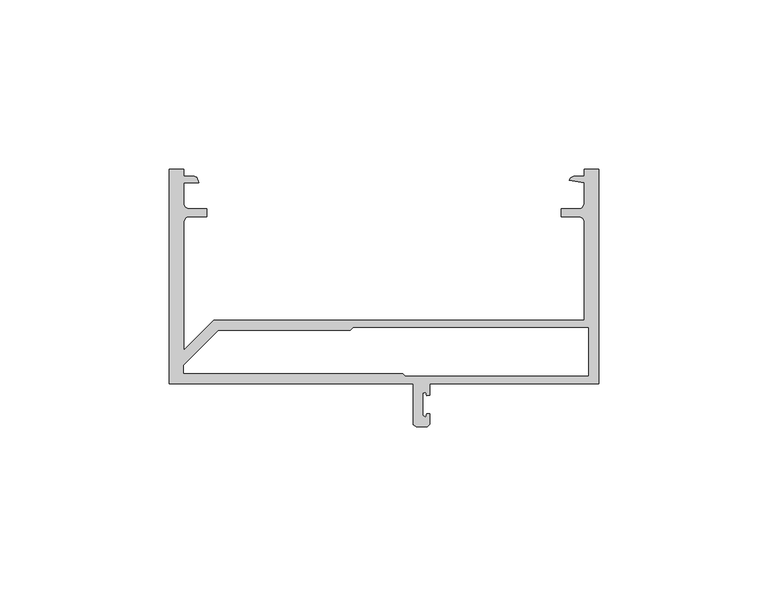
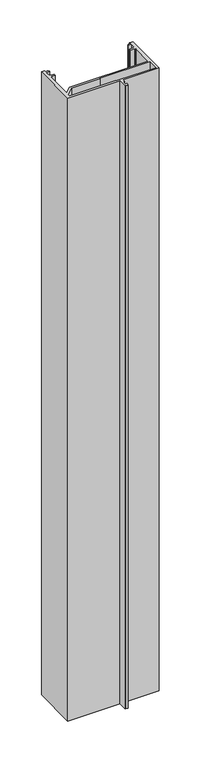
"""IFC4 building model written with IfcOpenShell, lengths in millimetres: proxy geometry."""

from ifc_helpers import new_model, si_unit, frame, origin, place, context, project, spatial, polyline, outline, extrude, source, transform, mapped, element, save


def generic_models_203cdfa5(model_context):
    return source(origin(), model_context, "Body", "SweptSolid", [
        extrude(outline(polyline([(37135.3710168, -21919.0529893), (37135.3710168, -21855.5529893), (37139.7367688, -21855.5529893), (37139.7367688, -21857.5870213), (37142.7563208, -21857.5870213), (37143.5173048, -21857.9731013), (37144.0578168, -21859.6210533), (37139.7367688, -21859.6210533), (37139.7367688, -21866.0045813), (37140.1218328, -21866.7645493), (37141.0474088, -21867.3050613), (37146.4667528, -21867.3050613), (37146.4667528, -21869.5920773), (37141.0321688, -21869.5920773), (37140.2711848, -21869.9730773), (37139.7367946, -21870.8986683), (37139.7367946, -21909.0047493), (37148.5836017, -21900.1579423), (37257.9991688, -21900.1579423), (37257.9991688, -21870.8823973), (37257.6141048, -21870.1275093), (37256.6824328, -21869.5920773), (37251.2691848, -21869.5920773), (37251.2691848, -21867.3050613), (37256.6976728, -21867.3050613), (37257.460869, -21866.919672), (37257.9991688, -21865.9873093), (37257.9991688, -21859.6210533), (37253.6842168, -21858.8824213), (37254.0692808, -21858.1163573), (37254.9948568, -21857.5870213), (37257.9991688, -21857.5870213), (37257.9991688, -21855.5529893), (37262.3710168, -21855.5529893), (37262.3710168, -21919.0529893), (37212.3594328, -21919.0529893), (37212.3594328, -21922.4311893), (37211.4927848, -21922.5205973), (37211.2458968, -21921.4944373), (37210.3243848, -21921.8530853), (37210.3243848, -21928.3239893), (37211.1514088, -21928.8533253), (37211.4927848, -21927.8667893), (37212.3594328, -21927.7743333), (37212.3594328, -21930.9696533), (37211.6980168, -21931.7529893), (37208.3675688, -21931.7529893), (37207.5801688, -21931.0966533), (37207.5801688, -21919.0529893), (37135.3710168, -21919.0529893)]), holes=[polyline([(37204.4315848, -21915.8779893), (37205.2210168, -21916.6674213), (37259.1960168, -21916.6674213), (37259.1960168, -21902.4418973), (37189.8006768, -21902.4418973), (37188.9101528, -21903.3324213), (37149.9008328, -21903.3324213), (37139.7388008, -21913.4944533), (37139.7388008, -21915.8779893), (37204.4315848, -21915.8779893)])]), frame((0.0, 0.0, 1524.0), z_axis=(0.0, 0.0, 1.0), x_axis=(1.0, 0.0, 0.0)), (0.0, 0.0, 1.0), 914.4),
    ])


if __name__ == "__main__":
    model = new_model("IFC4")
    model_context = context("Model", 3, world=origin())
    ifc_project = project(units=[si_unit("LENGTHUNIT", "METRE", prefix="MILLI")], contexts=[model_context])
    site = spatial("IfcSite", under=ifc_project)
    building = spatial("IfcBuilding", under=site)
    placement = place(None, origin())
    generic_models_shape = generic_models_203cdfa5(model_context)
    element("IfcBuildingElementProxy", 1, Name="Generic Models", at=placement, inside=building, context=model_context, shape_type="MappedRepresentation", body=[
        mapped(generic_models_shape, transform((0.0, 0.0, 0.0), x_axis=(1.0, 0.0, 0.0), y_axis=(0.0, 1.0, 0.0), z_axis=(0.0, 0.0, 1.0))),
    ])
    save(model, "model.ifc")
